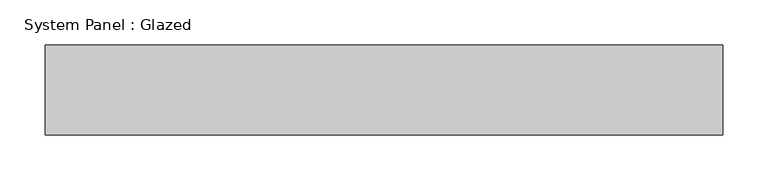
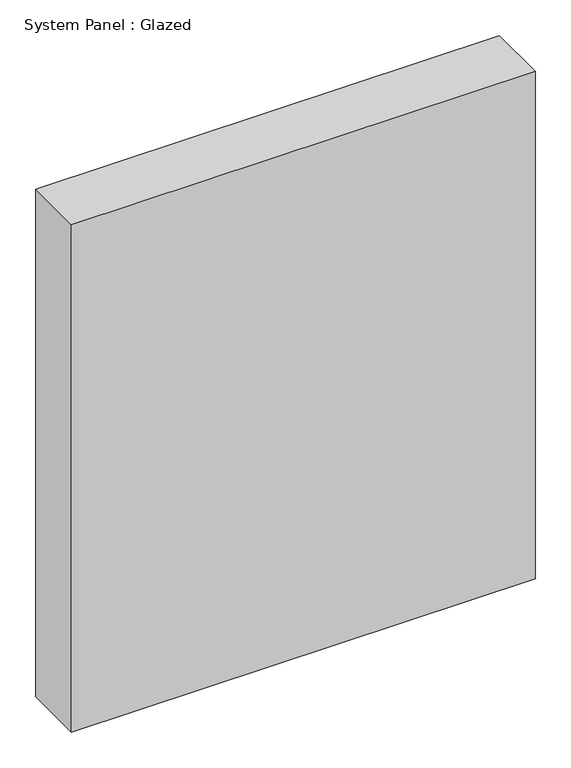
"""IFC4 building model written with IfcOpenShell, lengths in millimetres: plate geometry, System Panel : Glazed."""

from ifc_helpers import new_model, si_unit, origin, origin_with_axes, place, context, project, spatial, polyline, outline, extrude, source, transform, mapped, element, save


def system_panel_glazed_55571775(model_context):
    return source(origin(), model_context, "Body", "SweptSolid", [
        extrude(outline(polyline([(375.8333333, 50.0), (-375.8333333, 50.0), (-375.8333333, 150.0), (375.8333333, 150.0), (375.8333333, 50.0)])), origin_with_axes(), (0.0, 0.0, 1.0), 870.0),
    ])


if __name__ == "__main__":
    model = new_model("IFC4")
    model_context = context("Model", 3, world=origin())
    ifc_project = project(units=[si_unit("LENGTHUNIT", "METRE", prefix="MILLI")], contexts=[model_context])
    site = spatial("IfcSite", under=ifc_project)
    building = spatial("IfcBuilding", under=site)
    placement = place(None, origin())
    system_panel_glazed_shape = system_panel_glazed_55571775(model_context)
    element("IfcPlate", 1, ObjectType="System Panel : Glazed", at=placement, inside=building, context=model_context, shape_type="MappedRepresentation", body=[
        mapped(system_panel_glazed_shape, transform((0.0, 0.0, 0.0), x_axis=(1.0, 0.0, 0.0), y_axis=(0.0, 1.0, 0.0), z_axis=(0.0, 0.0, 1.0))),
    ])
    save(model, "model.ifc")
